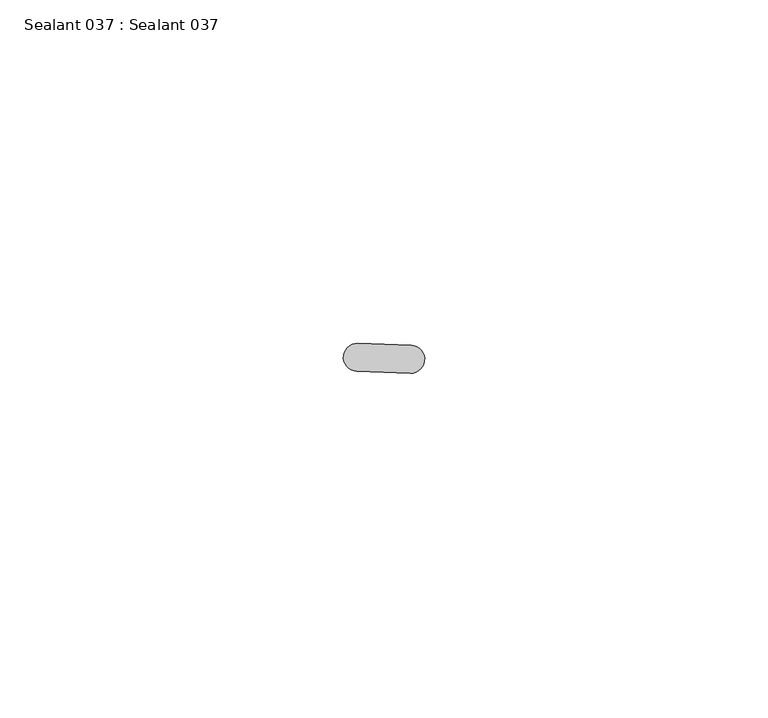
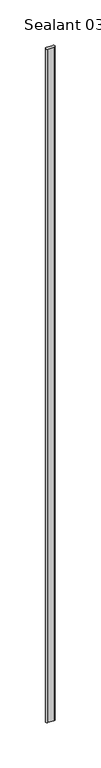
"""IFC4 building model written with IfcOpenShell, lengths in millimetres: proxy geometry, Sealant 037 : Sealant 037."""

from ifc_helpers import new_model, si_unit, point, frame, frame_2d, origin, place, context, project, spatial, polyline, circle_curve, trimmed, segment, composite_curve, outline, extrude, source, transform, mapped, element, save


def sealant_037_sealant_037_204332a6(model_context):
    return source(origin(), model_context, "Body", "SweptSolid", [
        extrude(outline(composite_curve([segment(trimmed(circle_curve(frame_2d((34556.84108, -15427.949445)), 2.037109), [point((34556.7714072, -15429.9853622))], [point((34556.9107527, -15425.9135278))], False, "CARTESIAN"), True, "CONTINUOUS"), segment(polyline([(34556.9107527, -15425.9135278), (34564.660124, -15426.1787253)]), True, "CONTINUOUS"), segment(trimmed(circle_curve(frame_2d((34564.5904512, -15428.2146425)), 2.037109), [point((34564.660124, -15426.1787253))], [point((34564.5207785, -15430.2505597))], False, "CARTESIAN"), True, "CONTINUOUS"), segment(polyline([(34564.5207785, -15430.2505597), (34556.7714072, -15429.9853622)]), True, "CONTINUOUS")], self_intersect=False)), frame((0.0, 0.0, 1597.975708), z_axis=(0.0, 0.0, 1.0), x_axis=(1.0, 0.0, 0.0)), (0.0, 0.0, 1.0), 914.4),
    ])


if __name__ == "__main__":
    model = new_model("IFC4")
    model_context = context("Model", 3, world=origin())
    ifc_project = project(units=[si_unit("LENGTHUNIT", "METRE", prefix="MILLI")], contexts=[model_context])
    site = spatial("IfcSite", under=ifc_project)
    building = spatial("IfcBuilding", under=site)
    placement = place(None, origin())
    sealant_037_sealant_037_shape = sealant_037_sealant_037_204332a6(model_context)
    element("IfcBuildingElementProxy", 1, Name="Sealant 037 : Sealant 037", ObjectType="Sealant 037 : Sealant 037", at=placement, inside=building, context=model_context, shape_type="MappedRepresentation", body=[
        mapped(sealant_037_sealant_037_shape, transform((0.0, 0.0, 0.0), x_axis=(1.0, 0.0, 0.0), y_axis=(0.0, 1.0, 0.0), z_axis=(0.0, 0.0, 1.0))),
    ])
    save(model, "model.ifc")
